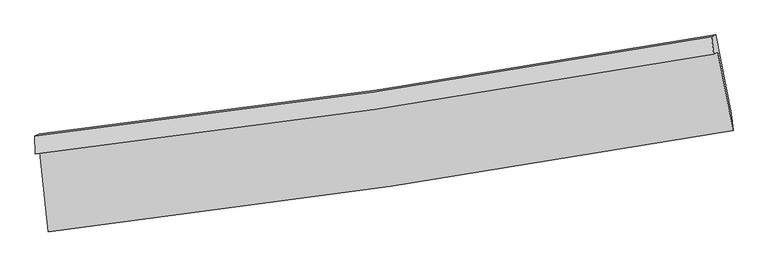
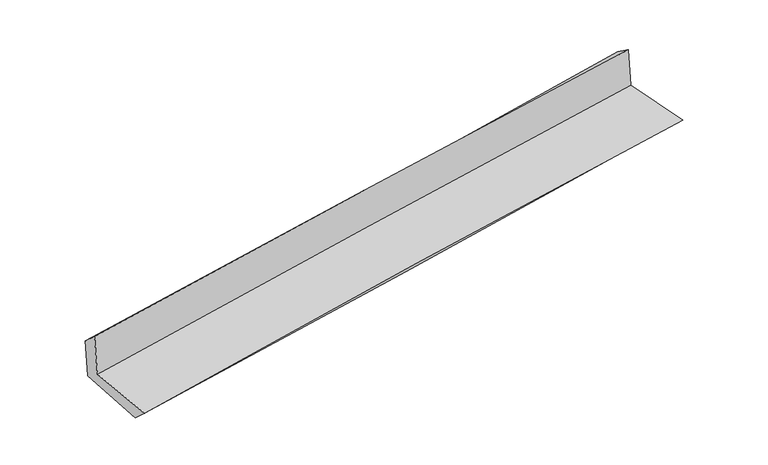
"""IFC4 building model written with IfcOpenShell, lengths in millimetres: proxy geometry."""

from ifc_helpers import new_model, si_unit, frame, origin, place, context, project, spatial, source, transform, mapped, element, save
from ifc_brep_helpers import plane_surface, spline_curve, spline_surface, advanced_brep


def generic_models_ad2997d8(model_context):
    return source(origin(), model_context, "Body", "AdvancedBrep", [
        advanced_brep(
        [(-2849.5985707, -1902.1617362, 1640.9760304), (-2779.6544536, -2566.0258473, 1621.1098982), (2932.3134571, -1721.6813578, 2117.9981967), (2805.4232816, -1065.9192693, 2120.9054635), (-2886.6612452, -1918.3665546, 2052.0012451), (2770.5953779, -1081.1469845, 2507.1470601), (-2889.5336962, -1765.7843877, 1916.4238391), (2752.6767196, -936.7475844, 2405.288138), (-2855.1251058, -1750.7400077, 1534.8324283), (2786.6334156, -921.9007851, 2028.7082375), (-2782.0348257, -2421.748174, 1489.3478689), (2917.4337889, -1579.3539443, 1989.1513757)],
        [
            (0, 1),
            (1, 2, spline_curve(3, [(-2779.6544536, -2566.0258473, 1621.1098982), (-1829.098468239, -2453.700072015, 1744.32393185), (-878.823932609, -2327.352727322, 1847.293874359), (1025.167749322, -2046.023053207, 2013.094379976), (1978.882517415, -1890.922234695, 2075.753869818), (2932.3134571, -1721.6813578, 2117.9981967)], [4, 2, 4], [0.0, 9.442350862169425, 18.92451404763769])),
            (2, 3),
            (3, 0, spline_curve(3, [(2805.4232816, -1065.9192693, 2120.9054635), (1862.269833232, -1236.533102738, 2077.661726733), (918.448492903, -1391.64094305, 2015.922773855), (-966.564388119, -1670.258496484, 1855.791312066), (-1907.750331691, -1793.898145552, 1757.55378724), (-2849.5985707, -1902.1617362, 1640.9760304)], [4, 2, 4], [0.0, 9.482163185468265, 18.92451404763769])),
            (4, 0),
            (3, 5),
            (5, 4, spline_curve(3, [(2770.5953779, -1081.1469845, 2507.1470601), (1826.902992704, -1251.996455901, 2469.880134058), (882.625735641, -1407.303635331, 2413.197300176), (-1003.131373193, -1686.246586052, 2261.319329317), (-1944.606323713, -1810.012596437, 2166.286891666), (-2886.6612452, -1918.3665546, 2052.0012451)], [4, 2, 4], [0.0, 9.434158640308693, 18.828706511798714])),
            (6, 4),
            (5, 7),
            (7, 6, spline_curve(3, [(2752.6767196, -936.7475844, 2405.288138), (1814.439809734, -1106.586307276, 2331.494080411), (874.143683708, -1260.704406597, 2253.764394117), (-1006.610377388, -1536.918273877, 2090.776648292), (-1947.051056173, -1659.145775689, 2005.551568424), (-2889.5336962, -1765.7843877, 1916.4238391)], [4, 2, 4], [0.0, 9.422197386569032, 18.8048342254864])),
            (8, 6),
            (7, 9),
            (9, 8, spline_curve(3, [(2786.6334156, -921.9007851, 2028.7082375), (1847.710492941, -1092.039451685, 1962.522066023), (907.109898306, -1246.290673007, 1888.168935645), (-973.490333804, -1522.437281961, 1723.475229269), (-1913.475912997, -1644.46580179, 1633.203090252), (-2855.1251058, -1750.7400077, 1534.8324283)], [4, 2, 4], [0.0, 9.410735105854632, 18.781957790209475])),
            (10, 8),
            (9, 11),
            (11, 10, spline_curve(3, [(2917.4337889, -1579.3539443, 1989.1513757), (1968.252609602, -1747.227995097, 1922.287864225), (1017.704246959, -1901.483632106, 1847.100720755), (-882.130081252, -2182.167590643, 1680.429802505), (-1831.404589887, -2308.710030341, 1589.015777021), (-2782.0348257, -2421.748174, 1489.3478689)], [4, 2, 4], [0.0, 9.459469482137981, 18.87922192398757])),
            (1, 10),
            (11, 2),
        ],
        [
            spline_surface(3, 3, [[(-2849.5985707, -1902.1617362, 1640.9760304), (-1907.750331774, -1793.898145474, 1757.553787201), (-966.564388022, -1670.258496633, 1855.79131212), (918.448492805, -1391.640942901, 2015.9227738), (1862.269833139, -1236.533102815, 2077.661726583), (2805.4232816, -1065.9192693, 2120.9054635)], [(-2826.283864984, -2123.449773224, 1634.353986312), (-1881.533043911, -2013.832120977, 1753.143835379), (-937.317569534, -1889.289906819, 1852.958832888), (954.021578341, -1609.768312992, 2014.9799758), (1901.140727875, -1454.662813493, 2077.025774378), (2847.720006792, -1284.506632134, 2119.936374565)], [(-2802.969159316, -2344.737810276, 1627.731942288), (-1855.315756097, -2233.766096506, 1748.733883621), (-908.070751117, -2108.321317087, 1850.126353711), (989.594663806, -1827.895683165, 2014.037177856), (1940.011622536, -1672.792524168, 2076.389822178), (2890.016731908, -1503.093994966, 2118.967285635)], [(-2779.6544536, -2566.0258473, 1621.1098982), (-1829.098468234, -2453.700072009, 1744.323931799), (-878.823932629, -2327.352727273, 1847.293874478), (1025.167749342, -2046.023053256, 2013.094379856), (1978.882517272, -1890.922234846, 2075.753869973), (2932.3134571, -1721.6813578, 2117.9981967)]], [4, 4], [4, 2, 4], [0.0, 2.1749727585935292], [0.0, 9.442350862169425, 18.92451404763769]),
            spline_surface(3, 3, [[(-2886.6612452, -1918.3665546, 2052.0012451), (-1944.606323723, -1810.012596591, 2166.286891553), (-1003.131373158, -1686.246585996, 2261.319329371), (882.625735606, -1407.303635387, 2413.197300122), (1826.902992691, -1251.996455951, 2469.880133969), (2770.5953779, -1081.1469845, 2507.1470601)], [(-2874.307020371, -1912.964948485, 1914.992840217), (-1932.320993077, -1804.641112904, 2030.042523453), (-990.942378126, -1680.917222883, 2126.143323637), (894.566654659, -1402.0827379, 2280.772458031), (1838.691939485, -1246.842004905, 2339.140664855), (2782.204679111, -1076.071079433, 2378.399861248)], [(-2861.952795529, -1907.563342315, 1777.984435283), (-1920.03566242, -1799.269629161, 1893.798155301), (-978.753383053, -1675.587859746, 1990.967317854), (906.507573753, -1396.861840388, 2148.347615891), (1850.480886345, -1241.68755386, 2208.401195697), (2793.813980389, -1070.995174367, 2249.652662352)], [(-2849.5985707, -1902.1617362, 1640.9760304), (-1907.750331774, -1793.898145474, 1757.553787201), (-966.564388022, -1670.258496633, 1855.79131212), (918.448492805, -1391.640942901, 2015.9227738), (1862.269833139, -1236.533102815, 2077.661726583), (2805.4232816, -1065.9192693, 2120.9054635)]], [4, 4], [4, 2, 4], [0.0, 1.3232380527444934], [0.0, 9.39454787149002, 18.828706511798714]),
            spline_surface(3, 3, [[(-2889.5336962, -1765.7843877, 1916.4238391), (-1947.051056315, -1659.145775841, 2005.551568451), (-1006.610377256, -1536.918273883, 2090.7766484), (874.143683575, -1260.704406591, 2253.764394009), (1814.439809799, -1106.586307412, 2331.494080356), (2752.6767196, -936.7475844, 2405.288138)], [(-2888.576212541, -1816.645109997, 1961.616307766), (-1946.236145459, -1709.434716088, 2059.130009484), (-1005.450709234, -1586.694377936, 2147.624208721), (876.971034241, -1309.570816205, 2306.908696045), (1818.594204123, -1155.056356903, 2377.622764891), (2758.649605726, -984.880717745, 2439.241112031)], [(-2887.618728859, -1867.505832303, 2006.808776434), (-1945.42123458, -1759.723656344, 2112.70845052), (-1004.29104118, -1636.470481942, 2204.471769049), (879.79838494, -1358.437225772, 2360.052998087), (1822.748598367, -1203.52640646, 2423.751449434), (2764.622491774, -1033.013851155, 2473.194086069)], [(-2886.6612452, -1918.3665546, 2052.0012451), (-1944.606323723, -1810.012596591, 2166.286891553), (-1003.131373158, -1686.246585996, 2261.319329371), (882.625735606, -1407.303635387, 2413.197300122), (1826.902992691, -1251.996455951, 2469.880133969), (2770.5953779, -1081.1469845, 2507.1470601)]], [4, 4], [4, 2, 4], [0.0, 0.7272865421615101], [0.0, 9.382636838917367, 18.8048342254864]),
            spline_surface(3, 3, [[(-2855.1251058, -1750.7400077, 1534.8324283), (-1913.475913078, -1644.465801811, 1633.203090162), (-973.490333827, -1522.437282071, 1723.475229338), (907.10989833, -1246.290672896, 1888.168935575), (1847.710492868, -1092.039451791, 1962.522066126), (2786.6334156, -921.9007851, 2028.7082375)], [(-2866.594635927, -1755.754801013, 1662.029565238), (-1924.667627484, -1649.359126467, 1757.319249596), (-984.530348284, -1527.264279347, 1845.909035709), (896.121160098, -1251.0952508, 2010.034088404), (1836.620265171, -1096.888403673, 2085.512737539), (2775.314516926, -926.849718208, 2154.234871003)], [(-2878.064166073, -1760.769594387, 1789.226702162), (-1935.85934191, -1654.252451184, 1881.435409017), (-995.570362799, -1532.091276607, 1968.342842028), (885.132421807, -1255.899828687, 2131.89924118), (1825.530037496, -1101.73735553, 2208.503408943), (2763.995618274, -931.798651292, 2279.761504497)], [(-2889.5336962, -1765.7843877, 1916.4238391), (-1947.051056315, -1659.145775841, 2005.551568451), (-1006.610377256, -1536.918273883, 2090.7766484), (874.143683575, -1260.704406591, 2253.764394009), (1814.439809799, -1106.586307412, 2331.494080356), (2752.6767196, -936.7475844, 2405.288138)]], [4, 4], [4, 2, 4], [0.0, 1.2080550517140864], [0.0, 9.371222684354843, 18.781957790209475]),
            spline_surface(3, 3, [[(-2782.0348257, -2421.748174, 1489.3478689), (-1831.404589982, -2308.710030391, 1589.015777026), (-882.130081198, -2182.167590686, 1680.429802486), (1017.704246905, -1901.483632062, 1847.100720774), (1968.252609633, -1747.227995204, 1922.287864276), (2917.4337889, -1579.3539443, 1989.1513757)], [(-2806.398252395, -2198.078785255, 1504.509388681), (-1858.761697676, -2087.295287553, 1603.744881386), (-912.583498752, -1962.257487804, 1694.778278093), (980.839464035, -1683.085978996, 1860.790125698), (1928.071904045, -1528.83181408, 1935.699264893), (2873.833664468, -1360.202891246, 2002.3369963)], [(-2830.761679105, -1974.409396445, 1519.670908519), (-1886.118805385, -1865.880544649, 1618.473985802), (-943.036916273, -1742.347384953, 1709.12675373), (943.974681199, -1464.688325962, 1874.479530651), (1887.891198455, -1310.435632916, 1949.110665509), (2830.233540032, -1141.051838154, 2015.5226169)], [(-2855.1251058, -1750.7400077, 1534.8324283), (-1913.475913078, -1644.465801811, 1633.203090162), (-973.490333827, -1522.437282071, 1723.475229338), (907.10989833, -1246.290672896, 1888.168935575), (1847.710492868, -1092.039451791, 1962.522066126), (2786.6334156, -921.9007851, 2028.7082375)]], [4, 4], [4, 2, 4], [0.0, 2.186665155751887], [0.0, 9.419752441849587, 18.87922192398757]),
            spline_surface(3, 3, [[(-2779.6544536, -2566.0258473, 1621.1098982), (-1829.098468234, -2453.700072009, 1744.323931799), (-878.823932629, -2327.352727273, 1847.293874478), (1025.167749342, -2046.023053256, 2013.094379856), (1978.882517272, -1890.922234846, 2075.753869973), (2932.3134571, -1721.6813578, 2117.9981967)], [(-2780.447910984, -2517.933289525, 1577.189221787), (-1829.8671755, -2405.370058128, 1692.554546894), (-879.925982159, -2278.957681753, 1791.672517144), (1022.679915189, -1997.8432462, 1957.763160159), (1975.339214703, -1843.024154965, 2024.598534727), (2927.353567677, -1674.238886633, 2075.049256353)], [(-2781.241368316, -2469.840731775, 1533.268545313), (-1830.635882716, -2357.040044272, 1640.78516193), (-881.028031668, -2230.562636206, 1736.05115982), (1020.192081057, -1949.663439118, 1902.431940472), (1971.795912202, -1795.126075085, 1973.443199522), (2922.393678323, -1626.796415467, 2032.100316047)], [(-2782.0348257, -2421.748174, 1489.3478689), (-1831.404589982, -2308.710030391, 1589.015777026), (-882.130081198, -2182.167590686, 1680.429802486), (1017.704246905, -1901.483632062, 1847.100720774), (1968.252609633, -1747.227995204, 1922.287864276), (2917.4337889, -1579.3539443, 1989.1513757)]], [4, 4], [4, 2, 4], [0.0, 0.7241050722320683], [0.0, 9.479129292581582, 18.99822597945898]),
            plane_surface(frame((2827.5126734, -1217.7916542, 2194.8664119), z_axis=(0.9773736147440432, 0.18869840552633385, 0.09557054438467003), x_axis=(-0.08973777366840582, -0.0392358171917811, 0.9951922842477886))),
            plane_surface(frame((-2840.4346496, -2054.1377846, 1709.1152183), z_axis=(-0.9904434252570666, -0.10155980661933416, -0.09331359517505133), x_axis=(-0.10473277109905973, 0.9940554090837858, 0.029747106232027413))),
        ],
        [
            (0, [[1, 2, 3, 4]]),
            (1, [[5, -4, 6, 7]]),
            (2, [[8, -7, 9, 10]]),
            (3, [[11, -10, 12, 13]]),
            (4, [[14, -13, 15, 16]]),
            (5, [[17, -16, 18, -2]]),
            (6, [[-12, -9, -6, -3, -18, -15]]),
            (7, [[-1, -5, -8, -11, -14, -17]]),
        ],
    ),
    ])


if __name__ == "__main__":
    model = new_model("IFC4")
    model_context = context("Model", 3, world=origin())
    ifc_project = project(units=[si_unit("LENGTHUNIT", "METRE", prefix="MILLI")], contexts=[model_context])
    site = spatial("IfcSite", under=ifc_project)
    building = spatial("IfcBuilding", under=site)
    placement = place(None, origin())
    generic_models_shape = generic_models_ad2997d8(model_context)
    element("IfcBuildingElementProxy", 1, Name="Generic Models", at=placement, inside=building, context=model_context, shape_type="MappedRepresentation", body=[
        mapped(generic_models_shape, transform((0.0, 0.0, 0.0), x_axis=(1.0, 0.0, 0.0), y_axis=(0.0, 1.0, 0.0), z_axis=(0.0, 0.0, 1.0))),
    ])
    save(model, "model.ifc")
